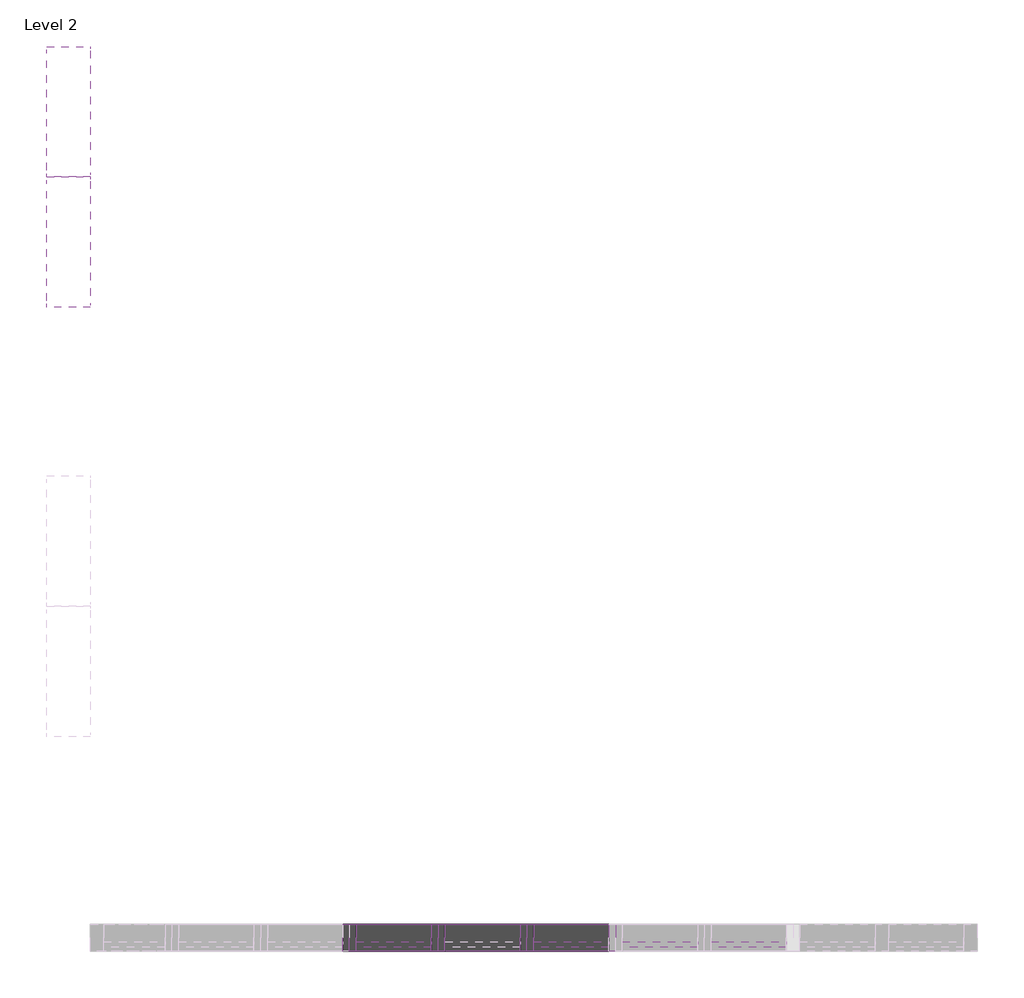
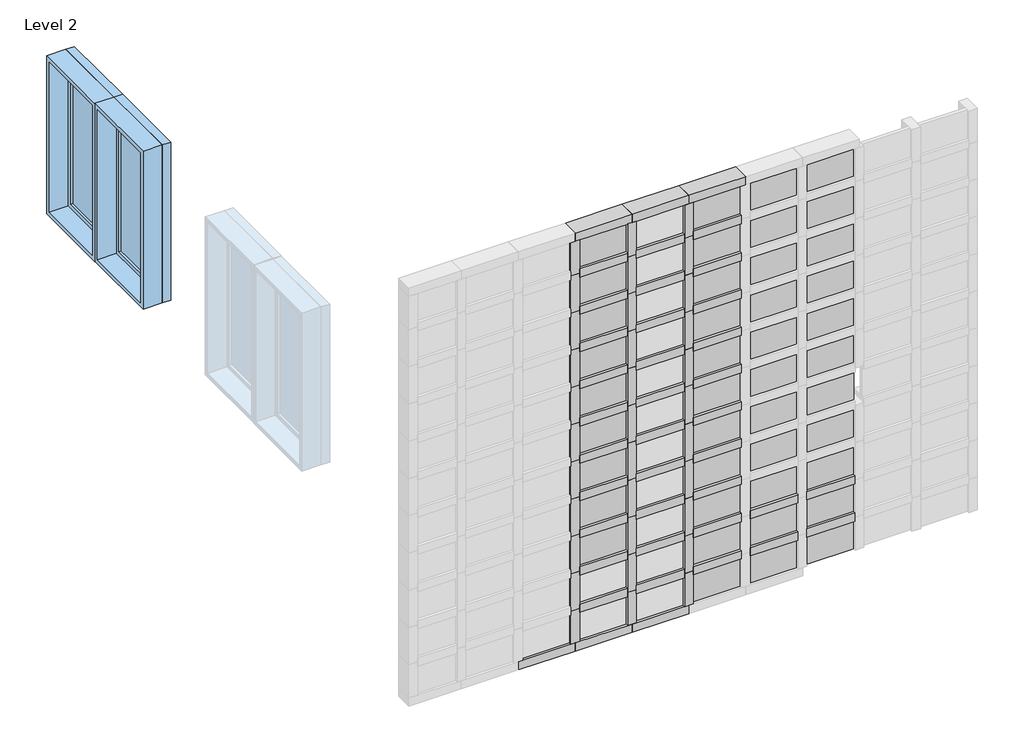
# One storey, part 2 of 7: 73 members, 42 plates, 2 windows.
"""IFC4 building model written with IfcOpenShell, lengths in millimetres."""

import ifcopenshell
import ifcopenshell.guid

model = None  # the IFC model being written
_history = None  # IfcOwnerHistory: only IFC2X3 demands one
_inside = {}  # id of a spatial element -> (the spatial element, [elements in it])
_under = {}  # id of a project, library or spatial element -> (it, [spatial elements below it])
_declared = {}  # id of a project -> (the project, [libraries it declares])
_typed = {}  # id of a type object -> (the type object, [elements of that type])
_made_of = {}  # id of a material, layer set ... -> (it, [elements and type objects made of it])


def new_model(schema):
    """Start an empty IFC model of exactly this schema.

    Asked for "IFC4X3", IfcOpenShell would pick the latest addendum, in which some entities
    have other attributes; the version numbers below select the first issue.
    IFC2X3 requires an IfcOwnerHistory on every rooted entity: one is made here for all.
    """
    global model, _history
    if schema == "IFC4X3":
        model = ifcopenshell.file(schema_version=(4, 3, 0, 0))
    else:
        model = ifcopenshell.file(schema=schema)
    _inside.clear()
    _under.clear()
    _declared.clear()
    _typed.clear()
    _made_of.clear()
    _history = None
    if model.schema == "IFC2X3":
        org = make("IfcOrganization", Name="unknown")
        user = make(
            "IfcPersonAndOrganization",
            ThePerson=make("IfcPerson", FamilyName="unknown"),
            TheOrganization=org,
        )
        app = make(
            "IfcApplication",
            ApplicationDeveloper=org,
            Version="unknown",
            ApplicationFullName="unknown",
            ApplicationIdentifier="unknown",
        )
        _history = make(
            "IfcOwnerHistory",
            OwningUser=user,
            OwningApplication=app,
            ChangeAction="ADDED",
            CreationDate=0,
        )
    return model


def make(cls, **values):
    """One entity of the class cls with the attributes given. An attribute that is None is left unset."""
    return model.create_entity(
        cls, **{name: value for name, value in values.items() if value is not None}
    )


def rooted(cls, **values):
    """An entity with a GlobalId (a new one), such as an element, a storey or a relation."""
    return make(cls, GlobalId=ifcopenshell.guid.new(), OwnerHistory=_history, **values)


def si_unit(unit_type, name, prefix=None):
    """IfcSIUnit, for example si_unit("LENGTHUNIT", "METRE", prefix="MILLI")."""
    return make("IfcSIUnit", UnitType=unit_type, Prefix=prefix, Name=name)


def assignment(units):
    """IfcUnitAssignment: the units of a project."""
    return None if units is None else make("IfcUnitAssignment", Units=units)


def point(xyz):
    """IfcCartesianPoint."""
    return None if xyz is None else make("IfcCartesianPoint", Coordinates=xyz)


def direction(xyz):
    """IfcDirection."""
    return None if xyz is None else make("IfcDirection", DirectionRatios=xyz)


def frame(location, z_axis=None, x_axis=None):
    """IfcAxis2Placement3D, a coordinate frame: its origin and axes. An axis left out is left unset."""
    return make(
        "IfcAxis2Placement3D",
        Location=point(location),
        Axis=direction(z_axis),
        RefDirection=direction(x_axis),
    )


def origin():
    """The frame at (0, 0, 0) with its axes left unset."""
    return frame((0.0, 0.0, 0.0))


def origin_with_axes():
    """The frame at (0, 0, 0) with the z axis (0, 0, 1) and the x axis (1, 0, 0) written out."""
    return frame((0.0, 0.0, 0.0), z_axis=(0.0, 0.0, 1.0), x_axis=(1.0, 0.0, 0.0))


def place(relative_to, where):
    """IfcLocalPlacement: puts the frame where relative to a parent placement (None: the world)."""
    return make(
        "IfcLocalPlacement", PlacementRelTo=relative_to, RelativePlacement=where
    )


def context(
    kind, dimensions, precision=None, world=None, true_north=None, identifier=None
):
    """IfcGeometricRepresentationContext, for example the 3D "Model" context."""
    return make(
        "IfcGeometricRepresentationContext",
        ContextIdentifier=identifier,
        ContextType=kind,
        CoordinateSpaceDimension=dimensions,
        Precision=precision,
        WorldCoordinateSystem=world,
        TrueNorth=true_north,
    )


def project(units=None, contexts=None):
    """IfcProject with its units and contexts."""
    return rooted(
        "IfcProject",
        Name="project",
        RepresentationContexts=contexts,
        UnitsInContext=assignment(units),
    )


def spatial(cls, under=None, at=None, **own):
    """A site, building, storey or space (cls), placed at a placement, below another one or the project."""
    s = rooted(cls, ObjectPlacement=at, **own)
    if under is not None:
        _under.setdefault(under.id(), (under, []))[1].append(s)
    return s


def polyline(points):
    """IfcPolyline through the points."""
    return make("IfcPolyline", Points=[point(p) for p in points])


def outline(outer, holes=None, kind="AREA"):
    """IfcArbitraryClosedProfileDef: a profile drawn as a closed curve; with holes, ...WithVoids."""
    if holes is None:
        return make("IfcArbitraryClosedProfileDef", ProfileType=kind, OuterCurve=outer)
    return make(
        "IfcArbitraryProfileDefWithVoids",
        ProfileType=kind,
        OuterCurve=outer,
        InnerCurves=holes,
    )


def extrude(swept, where, along, depth):
    """IfcExtrudedAreaSolid: the profile swept, set in the frame where, extruded along a direction by depth."""
    return make(
        "IfcExtrudedAreaSolid",
        SweptArea=swept,
        Position=where,
        ExtrudedDirection=direction(along),
        Depth=depth,
    )


def shape(context_of_items, identifier, shape_type, items):
    """IfcShapeRepresentation: the items that make up one representation, for example the "Body"."""
    return make(
        "IfcShapeRepresentation",
        ContextOfItems=context_of_items,
        RepresentationIdentifier=identifier,
        RepresentationType=shape_type,
        Items=items,
    )


def source(mapping_origin, context_of_items, identifier, shape_type, items):
    """IfcRepresentationMap: a shape defined once, which mapped items show again and again."""
    return make(
        "IfcRepresentationMap",
        MappingOrigin=mapping_origin,
        MappedRepresentation=shape(context_of_items, identifier, shape_type, items),
    )


def transform(
    local_origin,
    x_axis=None,
    y_axis=None,
    z_axis=None,
    scale=None,
    scale2=None,
    scale3=None,
    uniform=True,
):
    """IfcCartesianTransformationOperator3D, or its non-uniform kind. x_axis, y_axis, z_axis: its Axis1, 2, 3."""
    if uniform:
        return make(
            "IfcCartesianTransformationOperator3D",
            Axis1=direction(x_axis),
            Axis2=direction(y_axis),
            LocalOrigin=point(local_origin),
            Scale=scale,
            Axis3=direction(z_axis),
        )
    return make(
        "IfcCartesianTransformationOperator3DnonUniform",
        Axis1=direction(x_axis),
        Axis2=direction(y_axis),
        LocalOrigin=point(local_origin),
        Scale=scale,
        Axis3=direction(z_axis),
        Scale2=scale2,
        Scale3=scale3,
    )


def mapped(mapping_source, mapping_target):
    """IfcMappedItem: shows the shape of a source again, moved by a transform."""
    return make(
        "IfcMappedItem", MappingSource=mapping_source, MappingTarget=mapping_target
    )


def made_of(thing, what):
    """Note that an element or type object is made of a material, layer set ...; save() writes the relation."""
    if what is not None:
        _made_of.setdefault(what.id(), (what, []))[1].append(thing)
    return thing


def element(
    cls,
    number,
    at=None,
    inside=None,
    cuts=None,
    type_object=None,
    material=None,
    context=None,
    identifier="Body",
    shape_type=None,
    held_by="IfcProductDefinitionShape",
    body=None,
    shapes=None,
    **own,
):
    """One element of the class cls, such as IfcWall. Its Tag is "e" and its number.

    at: its placement. inside: the storey or other place that contains it. cuts: it is an
    opening in that element (IfcRelVoidsElement). A single representation is given by context,
    identifier, shape_type and body (its items); several are given by shapes. held_by: the class
    of the entity that holds the representations. save() writes the other relations.
    """
    e = rooted(cls, Tag="e%d" % number, ObjectPlacement=at, **own)
    if body is not None:
        shapes = [shape(context, identifier, shape_type, body)]
    if shapes is not None:
        e.Representation = make(held_by, Representations=shapes)
    if inside is not None:
        _inside.setdefault(inside.id(), (inside, []))[1].append(e)
    if cuts is not None:
        rooted(
            "IfcRelVoidsElement", RelatingBuildingElement=cuts, RelatedOpeningElement=e
        )
    if type_object is not None:
        _typed.setdefault(type_object.id(), (type_object, []))[1].append(e)
    return made_of(e, material)


def aggregate(whole, parts):
    """IfcRelAggregates: a whole, such as a stair, and the parts it consists of."""
    return rooted("IfcRelAggregates", RelatingObject=whole, RelatedObjects=parts)


def save(model, path):
    """Write the relations noted so far, then the file.

    IfcRelAggregates (storeys below a building ...), IfcRelContainedInSpatialStructure (elements
    in a storey), IfcRelDefinesByType, IfcRelAssociatesMaterial and IfcRelDeclares: one each for
    every whole, place, type object, material and project.
    """
    for whole, parts in _under.values():
        aggregate(whole, parts)
    for where, things in _inside.values():
        rooted(
            "IfcRelContainedInSpatialStructure",
            RelatedElements=things,
            RelatingStructure=where,
        )
    for kind, things in _typed.values():
        rooted("IfcRelDefinesByType", RelatedObjects=things, RelatingType=kind)
    for what, things in _made_of.values():
        rooted("IfcRelAssociatesMaterial", RelatedObjects=things, RelatingMaterial=what)
    for by, libraries in _declared.values():
        rooted("IfcRelDeclares", RelatingContext=by, RelatedDefinitions=libraries)
    model.write(path)


def member_053a1080(model_context):
    return source(origin(), model_context, "Body", "SweptSolid", [
        extrude(outline(polyline([(31.75, 63.5), (31.75, -63.5), (-31.75, -63.5), (-31.75, 63.5), (31.75, 63.5)])), frame((0.0, 0.0, -351.3666667), z_axis=(0.0, 0.0, 1.0), x_axis=(1.0, 0.0, 0.0)), (0.0, 0.0, 1.0), 351.3666667),
    ])


def member_cc20b924(model_context):
    return source(origin(), model_context, "Body", "SweptSolid", [
        extrude(outline(polyline([(0.0, 63.5), (0.0, -63.5), (-63.5, -63.5), (-63.5, 63.5), (0.0, 63.5)])), frame((0.0, 0.0, -414.8666667), z_axis=(0.0, 0.0, 1.0), x_axis=(1.0, 0.0, 0.0)), (0.0, 0.0, 1.0), 414.8666667),
    ])


def member_fa3b035b(model_context):
    return source(origin(), model_context, "Body", "SweptSolid", [
        extrude(outline(polyline([(31.75, 63.5), (31.75, -63.5), (-31.75, -63.5), (-31.75, 63.5), (31.75, 63.5)])), frame((0.0, 0.0, -287.4301113), z_axis=(0.0, 0.0, 1.0), x_axis=(1.0, 0.0, 0.0)), (0.0, 0.0, 1.0), 287.4301113),
    ])


def member_d2e9ee92(model_context):
    return source(origin(), model_context, "Body", "SweptSolid", [
        extrude(outline(polyline([(31.75, 63.5), (31.75, -63.5), (-31.75, -63.5), (-31.75, 63.5), (31.75, 63.5)])), frame((0.0, 0.0, -255.6801113), z_axis=(0.0, 0.0, 1.0), x_axis=(1.0, 0.0, 0.0)), (0.0, 0.0, 1.0), 255.6801113),
    ])


def system_panel_glazed_a957bdd6(model_context):
    return source(origin(), model_context, "Body", "SweptSolid", [
        extrude(outline(polyline([(175.6833333, 19.05), (-175.6833333, 19.05), (-175.6833333, 44.45), (175.6833333, 44.45), (175.6833333, 19.05)])), origin_with_axes(), (0.0, 0.0, 1.0), 223.9301113),
    ])


def window_80bd9af0(model_context):
    return source(origin(), model_context, "Body", "SweptSolid", [
        extrude(outline(polyline([(203.2, 53.975), (-279.4, 53.975), (-279.4, 66.675), (203.2, 66.675), (203.2, 53.975)])), frame((0.0, 0.0, 977.9), z_axis=(0.0, 0.0, 1.0), x_axis=(1.0, 0.0, 0.0)), (0.0, 0.0, 1.0), 1092.2),
        extrude(outline(polyline([(2114.55, -323.85), (933.45, -323.85), (933.45, 247.65), (2114.55, 247.65), (2114.55, -323.85)]), holes=[polyline([(2070.1, -279.4), (2070.1, 203.2), (977.9, 203.2), (977.9, -279.4), (2070.1, -279.4)])]), frame((0.0, 38.1, 0.0), z_axis=(0.0, 1.0, 0.0), x_axis=(0.0, 0.0, 1.0)), (0.0, 0.0, 1.0), 44.45),
        extrude(outline(polyline([(2133.6, -342.9), (914.4, -342.9), (914.4, 266.7), (2133.6, 266.7), (2133.6, -342.9)]), holes=[polyline([(2101.85, -311.15), (2101.85, 234.95), (946.15, 234.95), (946.15, -311.15), (2101.85, -311.15)])]), frame((0.0, -101.6, 0.0), z_axis=(0.0, 1.0, 0.0), x_axis=(0.0, 0.0, 1.0)), (0.0, 0.0, 1.0), 139.7),
        extrude(outline(polyline([(2133.6, 266.7), (2133.6, -342.9), (914.4, -342.9), (914.4, 266.7), (2133.6, 266.7)]), holes=[polyline([(2114.55, 247.65), (933.45, 247.65), (933.45, -323.85), (2114.55, -323.85), (2114.55, 247.65)])]), frame((0.0, 38.1, 0.0), z_axis=(0.0, 1.0, 0.0), x_axis=(0.0, 0.0, 1.0)), (0.0, 0.0, 1.0), 63.5),
    ])


model = new_model("IFC4")

# Units and contexts
model_context = context("Model", 3, world=origin())
ifc_project = project(units=[si_unit("LENGTHUNIT", "METRE", prefix="MILLI")], contexts=[model_context])

# Site, building, storey
site = spatial("IfcSite", under=ifc_project)
building = spatial("IfcBuilding", under=site)
storey = spatial("IfcBuildingStorey", under=building, Name="Level 2", Elevation=3048.0)

# Members
placement = place(None, origin())
member_shape = member_053a1080(model_context)
element("IfcMember", 1, ObjectType="Rectangular Mullion : 2.5\" x 5\" rectangular", at=placement, inside=storey, context=model_context, shape_type="MappedRepresentation", body=[
    mapped(member_shape, transform((-4891.2749742, 4076.9545164, 3367.1801113), x_axis=(0.0, 0.0, 1.0), y_axis=(0.0, 1.0, 0.0), z_axis=(-1.0, 0.0, 0.0))),
])
element("IfcMember", 2, ObjectType="Rectangular Mullion : 2.5\" x 5\" rectangular", at=placement, inside=storey, context=model_context, shape_type="MappedRepresentation", body=[
    mapped(member_shape, transform((-4476.4083075, 4076.9545164, 3367.1801113), x_axis=(0.0, 0.0, 1.0), y_axis=(0.0, 1.0, 0.0), z_axis=(-1.0, 0.0, 0.0))),
])
element("IfcMember", 3, ObjectType="Rectangular Mullion : 2.5\" x 5\" rectangular", at=placement, inside=storey, context=model_context, shape_type="MappedRepresentation", body=[
    mapped(member_shape, transform((-4061.5416409, 4076.9545164, 3367.1801113), x_axis=(0.0, 0.0, 1.0), y_axis=(0.0, 1.0, 0.0), z_axis=(-1.0, 0.0, 0.0))),
])
element("IfcMember", 4, ObjectType="Rectangular Mullion : 2.5\" x 5\" rectangular", at=placement, inside=storey, context=model_context, shape_type="MappedRepresentation", body=[
    mapped(member_shape, transform((-3646.6749742, 4076.9545164, 3367.1801113), x_axis=(0.0, 0.0, 1.0), y_axis=(0.0, 1.0, 0.0), z_axis=(-1.0, 0.0, 0.0))),
])
element("IfcMember", 5, ObjectType="Rectangular Mullion : 2.5\" x 5\" rectangular", at=placement, inside=storey, context=model_context, shape_type="MappedRepresentation", body=[
    mapped(member_shape, transform((-3231.8083075, 4076.9545164, 3367.1801113), x_axis=(0.0, 0.0, 1.0), y_axis=(0.0, 1.0, 0.0), z_axis=(-1.0, 0.0, 0.0))),
])
element("IfcMember", 6, ObjectType="Rectangular Mullion : 2.5\" x 5\" rectangular", at=placement, inside=storey, context=model_context, shape_type="MappedRepresentation", body=[
    mapped(member_shape, transform((-4891.2749742, 4076.9545164, 3654.6102225), x_axis=(0.0, 0.0, 1.0), y_axis=(0.0, 1.0, 0.0), z_axis=(-1.0, 0.0, 0.0))),
])
element("IfcMember", 7, ObjectType="Rectangular Mullion : 2.5\" x 5\" rectangular", at=placement, inside=storey, context=model_context, shape_type="MappedRepresentation", body=[
    mapped(member_shape, transform((-4476.4083075, 4076.9545164, 3654.6102225), x_axis=(0.0, 0.0, 1.0), y_axis=(0.0, 1.0, 0.0), z_axis=(-1.0, 0.0, 0.0))),
])
element("IfcMember", 8, ObjectType="Rectangular Mullion : 2.5\" x 5\" rectangular", at=placement, inside=storey, context=model_context, shape_type="MappedRepresentation", body=[
    mapped(member_shape, transform((-4061.5416409, 4076.9545164, 3654.6102225), x_axis=(0.0, 0.0, 1.0), y_axis=(0.0, 1.0, 0.0), z_axis=(-1.0, 0.0, 0.0))),
])
element("IfcMember", 9, ObjectType="Rectangular Mullion : 2.5\" x 5\" rectangular", at=placement, inside=storey, context=model_context, shape_type="MappedRepresentation", body=[
    mapped(member_shape, transform((-3646.6749742, 4076.9545164, 3654.6102225), x_axis=(0.0, 0.0, 1.0), y_axis=(0.0, 1.0, 0.0), z_axis=(-1.0, 0.0, 0.0))),
])
element("IfcMember", 10, ObjectType="Rectangular Mullion : 2.5\" x 5\" rectangular", at=placement, inside=storey, context=model_context, shape_type="MappedRepresentation", body=[
    mapped(member_shape, transform((-3231.8083075, 4076.9545164, 3654.6102225), x_axis=(0.0, 0.0, 1.0), y_axis=(0.0, 1.0, 0.0), z_axis=(-1.0, 0.0, 0.0))),
])
element("IfcMember", 11, ObjectType="Rectangular Mullion : 2.5\" x 5\" rectangular", at=placement, inside=storey, context=model_context, shape_type="MappedRepresentation", body=[
    mapped(member_shape, transform((-4891.2749742, 4076.9545164, 3942.0403338), x_axis=(0.0, 0.0, 1.0), y_axis=(0.0, 1.0, 0.0), z_axis=(-1.0, 0.0, 0.0))),
])
element("IfcMember", 12, ObjectType="Rectangular Mullion : 2.5\" x 5\" rectangular", at=placement, inside=storey, context=model_context, shape_type="MappedRepresentation", body=[
    mapped(member_shape, transform((-4476.4083075, 4076.9545164, 3942.0403338), x_axis=(0.0, 0.0, 1.0), y_axis=(0.0, 1.0, 0.0), z_axis=(-1.0, 0.0, 0.0))),
])
element("IfcMember", 13, ObjectType="Rectangular Mullion : 2.5\" x 5\" rectangular", at=placement, inside=storey, context=model_context, shape_type="MappedRepresentation", body=[
    mapped(member_shape, transform((-4061.5416409, 4076.9545164, 3942.0403338), x_axis=(0.0, 0.0, 1.0), y_axis=(0.0, 1.0, 0.0), z_axis=(-1.0, 0.0, 0.0))),
])
element("IfcMember", 14, ObjectType="Rectangular Mullion : 2.5\" x 5\" rectangular", at=placement, inside=storey, context=model_context, shape_type="MappedRepresentation", body=[
    mapped(member_shape, transform((-4891.2749742, 4076.9545164, 4229.4704451), x_axis=(0.0, 0.0, 1.0), y_axis=(0.0, 1.0, 0.0), z_axis=(-1.0, 0.0, 0.0))),
])
element("IfcMember", 15, ObjectType="Rectangular Mullion : 2.5\" x 5\" rectangular", at=placement, inside=storey, context=model_context, shape_type="MappedRepresentation", body=[
    mapped(member_shape, transform((-4476.4083075, 4076.9545164, 4229.4704451), x_axis=(0.0, 0.0, 1.0), y_axis=(0.0, 1.0, 0.0), z_axis=(-1.0, 0.0, 0.0))),
])
element("IfcMember", 16, ObjectType="Rectangular Mullion : 2.5\" x 5\" rectangular", at=placement, inside=storey, context=model_context, shape_type="MappedRepresentation", body=[
    mapped(member_shape, transform((-4061.5416409, 4076.9545164, 4229.4704451), x_axis=(0.0, 0.0, 1.0), y_axis=(0.0, 1.0, 0.0), z_axis=(-1.0, 0.0, 0.0))),
])
element("IfcMember", 17, ObjectType="Rectangular Mullion : 2.5\" x 5\" rectangular", at=placement, inside=storey, context=model_context, shape_type="MappedRepresentation", body=[
    mapped(member_shape, transform((-4891.2749742, 4076.9545164, 4516.9005563), x_axis=(0.0, 0.0, 1.0), y_axis=(0.0, 1.0, 0.0), z_axis=(-1.0, 0.0, 0.0))),
])
element("IfcMember", 18, ObjectType="Rectangular Mullion : 2.5\" x 5\" rectangular", at=placement, inside=storey, context=model_context, shape_type="MappedRepresentation", body=[
    mapped(member_shape, transform((-4476.4083075, 4076.9545164, 4516.9005563), x_axis=(0.0, 0.0, 1.0), y_axis=(0.0, 1.0, 0.0), z_axis=(-1.0, 0.0, 0.0))),
])
element("IfcMember", 19, ObjectType="Rectangular Mullion : 2.5\" x 5\" rectangular", at=placement, inside=storey, context=model_context, shape_type="MappedRepresentation", body=[
    mapped(member_shape, transform((-4061.5416409, 4076.9545164, 4516.9005563), x_axis=(0.0, 0.0, 1.0), y_axis=(0.0, 1.0, 0.0), z_axis=(-1.0, 0.0, 0.0))),
])
element("IfcMember", 20, ObjectType="Rectangular Mullion : 2.5\" x 5\" rectangular", at=placement, inside=storey, context=model_context, shape_type="MappedRepresentation", body=[
    mapped(member_shape, transform((-4891.2749742, 4076.9545164, 4804.3306676), x_axis=(0.0, 0.0, 1.0), y_axis=(0.0, 1.0, 0.0), z_axis=(-1.0, 0.0, 0.0))),
])
element("IfcMember", 21, ObjectType="Rectangular Mullion : 2.5\" x 5\" rectangular", at=placement, inside=storey, context=model_context, shape_type="MappedRepresentation", body=[
    mapped(member_shape, transform((-4476.4083075, 4076.9545164, 4804.3306676), x_axis=(0.0, 0.0, 1.0), y_axis=(0.0, 1.0, 0.0), z_axis=(-1.0, 0.0, 0.0))),
])
element("IfcMember", 22, ObjectType="Rectangular Mullion : 2.5\" x 5\" rectangular", at=placement, inside=storey, context=model_context, shape_type="MappedRepresentation", body=[
    mapped(member_shape, transform((-4061.5416409, 4076.9545164, 4804.3306676), x_axis=(0.0, 0.0, 1.0), y_axis=(0.0, 1.0, 0.0), z_axis=(-1.0, 0.0, 0.0))),
])
element("IfcMember", 23, ObjectType="Rectangular Mullion : 2.5\" x 5\" rectangular", at=placement, inside=storey, context=model_context, shape_type="MappedRepresentation", body=[
    mapped(member_shape, transform((-4891.2749742, 4076.9545164, 5091.7607789), x_axis=(0.0, 0.0, 1.0), y_axis=(0.0, 1.0, 0.0), z_axis=(-1.0, 0.0, 0.0))),
])
element("IfcMember", 24, ObjectType="Rectangular Mullion : 2.5\" x 5\" rectangular", at=placement, inside=storey, context=model_context, shape_type="MappedRepresentation", body=[
    mapped(member_shape, transform((-4476.4083075, 4076.9545164, 5091.7607789), x_axis=(0.0, 0.0, 1.0), y_axis=(0.0, 1.0, 0.0), z_axis=(-1.0, 0.0, 0.0))),
])
element("IfcMember", 25, ObjectType="Rectangular Mullion : 2.5\" x 5\" rectangular", at=placement, inside=storey, context=model_context, shape_type="MappedRepresentation", body=[
    mapped(member_shape, transform((-4061.5416409, 4076.9545164, 5091.7607789), x_axis=(0.0, 0.0, 1.0), y_axis=(0.0, 1.0, 0.0), z_axis=(-1.0, 0.0, 0.0))),
])
element("IfcMember", 26, ObjectType="Rectangular Mullion : 2.5\" x 5\" rectangular", at=placement, inside=storey, context=model_context, shape_type="MappedRepresentation", body=[
    mapped(member_shape, transform((-4061.5416409, 4076.9545164, 5379.1908901), x_axis=(0.0, 0.0, 1.0), y_axis=(0.0, 1.0, 0.0), z_axis=(-1.0, 0.0, 0.0))),
])
element("IfcMember", 27, ObjectType="Rectangular Mullion : 2.5\" x 5\" rectangular", at=placement, inside=storey, context=model_context, shape_type="MappedRepresentation", body=[
    mapped(member_shape, transform((-4891.2749742, 4076.9545164, 5379.1908901), x_axis=(0.0, 0.0, 1.0), y_axis=(0.0, 1.0, 0.0), z_axis=(-1.0, 0.0, 0.0))),
])
element("IfcMember", 28, ObjectType="Rectangular Mullion : 2.5\" x 5\" rectangular", at=placement, inside=storey, context=model_context, shape_type="MappedRepresentation", body=[
    mapped(member_shape, transform((-4476.4083075, 4076.9545164, 5379.1908901), x_axis=(0.0, 0.0, 1.0), y_axis=(0.0, 1.0, 0.0), z_axis=(-1.0, 0.0, 0.0))),
])
element("IfcMember", 29, ObjectType="Rectangular Mullion : 2.5\" x 5\" rectangular", at=placement, inside=storey, context=model_context, shape_type="MappedRepresentation", body=[
    mapped(member_shape, transform((-4891.2749742, 4076.9545164, 5666.6210014), x_axis=(0.0, 0.0, 1.0), y_axis=(0.0, 1.0, 0.0), z_axis=(-1.0, 0.0, 0.0))),
])
element("IfcMember", 30, ObjectType="Rectangular Mullion : 2.5\" x 5\" rectangular", at=placement, inside=storey, context=model_context, shape_type="MappedRepresentation", body=[
    mapped(member_shape, transform((-4476.4083075, 4076.9545164, 5666.6210014), x_axis=(0.0, 0.0, 1.0), y_axis=(0.0, 1.0, 0.0), z_axis=(-1.0, 0.0, 0.0))),
])
element("IfcMember", 31, ObjectType="Rectangular Mullion : 2.5\" x 5\" rectangular", at=placement, inside=storey, context=model_context, shape_type="MappedRepresentation", body=[
    mapped(member_shape, transform((-4061.5416409, 4076.9545164, 5666.6210014), x_axis=(0.0, 0.0, 1.0), y_axis=(0.0, 1.0, 0.0), z_axis=(-1.0, 0.0, 0.0))),
])
element("IfcMember", 32, ObjectType="Rectangular Mullion : 2.5\" x 5\" rectangular", at=placement, inside=storey, context=model_context, shape_type="MappedRepresentation", body=[
    mapped(member_shape, transform((-4476.4083075, 4076.9545164, 5954.0511127), x_axis=(0.0, 0.0, 1.0), y_axis=(0.0, 1.0, 0.0), z_axis=(-1.0, 0.0, 0.0))),
])
element("IfcMember", 33, ObjectType="Rectangular Mullion : 2.5\" x 5\" rectangular", at=placement, inside=storey, context=model_context, shape_type="MappedRepresentation", body=[
    mapped(member_shape, transform((-4891.2749742, 4076.9545164, 5954.0511127), x_axis=(0.0, 0.0, 1.0), y_axis=(0.0, 1.0, 0.0), z_axis=(-1.0, 0.0, 0.0))),
])
element("IfcMember", 34, ObjectType="Rectangular Mullion : 2.5\" x 5\" rectangular", at=placement, inside=storey, context=model_context, shape_type="MappedRepresentation", body=[
    mapped(member_shape, transform((-4061.5416409, 4076.9545164, 5954.0511127), x_axis=(0.0, 0.0, 1.0), y_axis=(0.0, 1.0, 0.0), z_axis=(-1.0, 0.0, 0.0))),
])
member_2_shape = member_cc20b924(model_context)
element("IfcMember", 35, ObjectType="Rectangular Mullion : 2.5\" x 5\" rectangular", at=placement, inside=storey, context=model_context, shape_type="MappedRepresentation", body=[
    mapped(member_2_shape, transform((-4923.0249742, 4076.9545164, 3048.0), x_axis=(0.0, 0.0, -1.0), y_axis=(0.0, 1.0, 0.0), z_axis=(1.0, 0.0, 0.0))),
])
element("IfcMember", 36, ObjectType="Rectangular Mullion : 2.5\" x 5\" rectangular", at=placement, inside=storey, context=model_context, shape_type="MappedRepresentation", body=[
    mapped(member_2_shape, transform((-4508.1583075, 4076.9545164, 3048.0), x_axis=(0.0, 0.0, -1.0), y_axis=(0.0, 1.0, 0.0), z_axis=(1.0, 0.0, 0.0))),
])
element("IfcMember", 37, ObjectType="Rectangular Mullion : 2.5\" x 5\" rectangular", at=placement, inside=storey, context=model_context, shape_type="MappedRepresentation", body=[
    mapped(member_2_shape, transform((-4093.2916409, 4076.9545164, 3048.0), x_axis=(0.0, 0.0, -1.0), y_axis=(0.0, 1.0, 0.0), z_axis=(1.0, 0.0, 0.0))),
])
member_3_shape = member_fa3b035b(model_context)
element("IfcMember", 38, ObjectType="Rectangular Mullion : 2.5\" x 5\" rectangular", at=placement, inside=storey, context=model_context, shape_type="MappedRepresentation", body=[
    mapped(member_3_shape, transform((-4093.2916409, 4076.9545164, 5666.6210014), x_axis=(-1.0, 0.0, 0.0), y_axis=(0.0, 1.0, 0.0), z_axis=(0.0, 0.0, -1.0))),
])
element("IfcMember", 39, ObjectType="Rectangular Mullion : 2.5\" x 5\" rectangular", at=placement, inside=storey, context=model_context, shape_type="MappedRepresentation", body=[
    mapped(member_3_shape, transform((-4093.2916409, 4076.9545164, 5379.1908901), x_axis=(-1.0, 0.0, 0.0), y_axis=(0.0, 1.0, 0.0), z_axis=(0.0, 0.0, -1.0))),
])
element("IfcMember", 40, ObjectType="Rectangular Mullion : 2.5\" x 5\" rectangular", at=placement, inside=storey, context=model_context, shape_type="MappedRepresentation", body=[
    mapped(member_3_shape, transform((-4093.2916409, 4076.9545164, 5091.7607789), x_axis=(-1.0, 0.0, 0.0), y_axis=(0.0, 1.0, 0.0), z_axis=(0.0, 0.0, -1.0))),
])
element("IfcMember", 41, ObjectType="Rectangular Mullion : 2.5\" x 5\" rectangular", at=placement, inside=storey, context=model_context, shape_type="MappedRepresentation", body=[
    mapped(member_3_shape, transform((-4093.2916409, 4076.9545164, 4804.3306676), x_axis=(-1.0, 0.0, 0.0), y_axis=(0.0, 1.0, 0.0), z_axis=(0.0, 0.0, -1.0))),
])
element("IfcMember", 42, ObjectType="Rectangular Mullion : 2.5\" x 5\" rectangular", at=placement, inside=storey, context=model_context, shape_type="MappedRepresentation", body=[
    mapped(member_3_shape, transform((-4093.2916409, 4076.9545164, 4516.9005563), x_axis=(-1.0, 0.0, 0.0), y_axis=(0.0, 1.0, 0.0), z_axis=(0.0, 0.0, -1.0))),
])
element("IfcMember", 43, ObjectType="Rectangular Mullion : 2.5\" x 5\" rectangular", at=placement, inside=storey, context=model_context, shape_type="MappedRepresentation", body=[
    mapped(member_3_shape, transform((-4093.2916409, 4076.9545164, 4229.4704451), x_axis=(-1.0, 0.0, 0.0), y_axis=(0.0, 1.0, 0.0), z_axis=(0.0, 0.0, -1.0))),
])
element("IfcMember", 44, ObjectType="Rectangular Mullion : 2.5\" x 5\" rectangular", at=placement, inside=storey, context=model_context, shape_type="MappedRepresentation", body=[
    mapped(member_3_shape, transform((-4093.2916409, 4076.9545164, 3942.0403338), x_axis=(-1.0, 0.0, 0.0), y_axis=(0.0, 1.0, 0.0), z_axis=(0.0, 0.0, -1.0))),
])
element("IfcMember", 45, ObjectType="Rectangular Mullion : 2.5\" x 5\" rectangular", at=placement, inside=storey, context=model_context, shape_type="MappedRepresentation", body=[
    mapped(member_3_shape, transform((-4093.2916409, 4076.9545164, 3654.6102225), x_axis=(-1.0, 0.0, 0.0), y_axis=(0.0, 1.0, 0.0), z_axis=(0.0, 0.0, -1.0))),
])
element("IfcMember", 46, ObjectType="Rectangular Mullion : 2.5\" x 5\" rectangular", at=placement, inside=storey, context=model_context, shape_type="MappedRepresentation", body=[
    mapped(member_3_shape, transform((-4093.2916409, 4076.9545164, 3367.1801113), x_axis=(-1.0, 0.0, 0.0), y_axis=(0.0, 1.0, 0.0), z_axis=(0.0, 0.0, -1.0))),
])
element("IfcMember", 47, ObjectType="Rectangular Mullion : 2.5\" x 5\" rectangular", at=placement, inside=storey, context=model_context, shape_type="MappedRepresentation", body=[
    mapped(member_3_shape, transform((-4508.1583075, 4076.9545164, 3942.0403338), x_axis=(-1.0, 0.0, 0.0), y_axis=(0.0, 1.0, 0.0), z_axis=(0.0, 0.0, -1.0))),
])
element("IfcMember", 48, ObjectType="Rectangular Mullion : 2.5\" x 5\" rectangular", at=placement, inside=storey, context=model_context, shape_type="MappedRepresentation", body=[
    mapped(member_3_shape, transform((-4508.1583075, 4076.9545164, 3654.6102225), x_axis=(-1.0, 0.0, 0.0), y_axis=(0.0, 1.0, 0.0), z_axis=(0.0, 0.0, -1.0))),
])
element("IfcMember", 49, ObjectType="Rectangular Mullion : 2.5\" x 5\" rectangular", at=placement, inside=storey, context=model_context, shape_type="MappedRepresentation", body=[
    mapped(member_3_shape, transform((-4508.1583075, 4076.9545164, 3367.1801113), x_axis=(-1.0, 0.0, 0.0), y_axis=(0.0, 1.0, 0.0), z_axis=(0.0, 0.0, -1.0))),
])
element("IfcMember", 50, ObjectType="Rectangular Mullion : 2.5\" x 5\" rectangular", at=placement, inside=storey, context=model_context, shape_type="MappedRepresentation", body=[
    mapped(member_3_shape, transform((-4508.1583075, 4076.9545164, 5666.6210014), x_axis=(-1.0, 0.0, 0.0), y_axis=(0.0, 1.0, 0.0), z_axis=(0.0, 0.0, -1.0))),
])
element("IfcMember", 51, ObjectType="Rectangular Mullion : 2.5\" x 5\" rectangular", at=placement, inside=storey, context=model_context, shape_type="MappedRepresentation", body=[
    mapped(member_3_shape, transform((-4508.1583075, 4076.9545164, 5379.1908901), x_axis=(-1.0, 0.0, 0.0), y_axis=(0.0, 1.0, 0.0), z_axis=(0.0, 0.0, -1.0))),
])
element("IfcMember", 52, ObjectType="Rectangular Mullion : 2.5\" x 5\" rectangular", at=placement, inside=storey, context=model_context, shape_type="MappedRepresentation", body=[
    mapped(member_3_shape, transform((-4508.1583075, 4076.9545164, 5091.7607789), x_axis=(-1.0, 0.0, 0.0), y_axis=(0.0, 1.0, 0.0), z_axis=(0.0, 0.0, -1.0))),
])
element("IfcMember", 53, ObjectType="Rectangular Mullion : 2.5\" x 5\" rectangular", at=placement, inside=storey, context=model_context, shape_type="MappedRepresentation", body=[
    mapped(member_3_shape, transform((-4508.1583075, 4076.9545164, 4804.3306676), x_axis=(-1.0, 0.0, 0.0), y_axis=(0.0, 1.0, 0.0), z_axis=(0.0, 0.0, -1.0))),
])
element("IfcMember", 54, ObjectType="Rectangular Mullion : 2.5\" x 5\" rectangular", at=placement, inside=storey, context=model_context, shape_type="MappedRepresentation", body=[
    mapped(member_3_shape, transform((-4508.1583075, 4076.9545164, 4516.9005563), x_axis=(-1.0, 0.0, 0.0), y_axis=(0.0, 1.0, 0.0), z_axis=(0.0, 0.0, -1.0))),
])
element("IfcMember", 55, ObjectType="Rectangular Mullion : 2.5\" x 5\" rectangular", at=placement, inside=storey, context=model_context, shape_type="MappedRepresentation", body=[
    mapped(member_3_shape, transform((-4508.1583075, 4076.9545164, 4229.4704451), x_axis=(-1.0, 0.0, 0.0), y_axis=(0.0, 1.0, 0.0), z_axis=(0.0, 0.0, -1.0))),
])
element("IfcMember", 56, ObjectType="Rectangular Mullion : 2.5\" x 5\" rectangular", at=placement, inside=storey, context=model_context, shape_type="MappedRepresentation", body=[
    mapped(member_3_shape, transform((-4923.0249742, 4076.9545164, 5666.6210014), x_axis=(-1.0, 0.0, 0.0), y_axis=(0.0, 1.0, 0.0), z_axis=(0.0, 0.0, -1.0))),
])
element("IfcMember", 57, ObjectType="Rectangular Mullion : 2.5\" x 5\" rectangular", at=placement, inside=storey, context=model_context, shape_type="MappedRepresentation", body=[
    mapped(member_3_shape, transform((-4923.0249742, 4076.9545164, 5379.1908901), x_axis=(-1.0, 0.0, 0.0), y_axis=(0.0, 1.0, 0.0), z_axis=(0.0, 0.0, -1.0))),
])
element("IfcMember", 58, ObjectType="Rectangular Mullion : 2.5\" x 5\" rectangular", at=placement, inside=storey, context=model_context, shape_type="MappedRepresentation", body=[
    mapped(member_3_shape, transform((-4923.0249742, 4076.9545164, 5091.7607789), x_axis=(-1.0, 0.0, 0.0), y_axis=(0.0, 1.0, 0.0), z_axis=(0.0, 0.0, -1.0))),
])
element("IfcMember", 59, ObjectType="Rectangular Mullion : 2.5\" x 5\" rectangular", at=placement, inside=storey, context=model_context, shape_type="MappedRepresentation", body=[
    mapped(member_3_shape, transform((-4923.0249742, 4076.9545164, 4804.3306676), x_axis=(-1.0, 0.0, 0.0), y_axis=(0.0, 1.0, 0.0), z_axis=(0.0, 0.0, -1.0))),
])
element("IfcMember", 60, ObjectType="Rectangular Mullion : 2.5\" x 5\" rectangular", at=placement, inside=storey, context=model_context, shape_type="MappedRepresentation", body=[
    mapped(member_3_shape, transform((-4923.0249742, 4076.9545164, 4516.9005563), x_axis=(-1.0, 0.0, 0.0), y_axis=(0.0, 1.0, 0.0), z_axis=(0.0, 0.0, -1.0))),
])
element("IfcMember", 61, ObjectType="Rectangular Mullion : 2.5\" x 5\" rectangular", at=placement, inside=storey, context=model_context, shape_type="MappedRepresentation", body=[
    mapped(member_3_shape, transform((-4923.0249742, 4076.9545164, 4229.4704451), x_axis=(-1.0, 0.0, 0.0), y_axis=(0.0, 1.0, 0.0), z_axis=(0.0, 0.0, -1.0))),
])
element("IfcMember", 62, ObjectType="Rectangular Mullion : 2.5\" x 5\" rectangular", at=placement, inside=storey, context=model_context, shape_type="MappedRepresentation", body=[
    mapped(member_3_shape, transform((-4923.0249742, 4076.9545164, 3942.0403338), x_axis=(-1.0, 0.0, 0.0), y_axis=(0.0, 1.0, 0.0), z_axis=(0.0, 0.0, -1.0))),
])
element("IfcMember", 63, ObjectType="Rectangular Mullion : 2.5\" x 5\" rectangular", at=placement, inside=storey, context=model_context, shape_type="MappedRepresentation", body=[
    mapped(member_3_shape, transform((-4923.0249742, 4076.9545164, 3654.6102225), x_axis=(-1.0, 0.0, 0.0), y_axis=(0.0, 1.0, 0.0), z_axis=(0.0, 0.0, -1.0))),
])
element("IfcMember", 64, ObjectType="Rectangular Mullion : 2.5\" x 5\" rectangular", at=placement, inside=storey, context=model_context, shape_type="MappedRepresentation", body=[
    mapped(member_3_shape, transform((-4923.0249742, 4076.9545164, 3367.1801113), x_axis=(-1.0, 0.0, 0.0), y_axis=(0.0, 1.0, 0.0), z_axis=(0.0, 0.0, -1.0))),
])
member_4_shape = member_d2e9ee92(model_context)
element("IfcMember", 65, ObjectType="Rectangular Mullion : 2.5\" x 5\" rectangular", at=placement, inside=storey, context=model_context, shape_type="MappedRepresentation", body=[
    mapped(member_4_shape, transform((-4093.2916409, 4076.9545164, 5954.0511127), x_axis=(-1.0, 0.0, 0.0), y_axis=(0.0, 1.0, 0.0), z_axis=(0.0, 0.0, -1.0))),
])
element("IfcMember", 66, ObjectType="Rectangular Mullion : 2.5\" x 5\" rectangular", at=placement, inside=storey, context=model_context, shape_type="MappedRepresentation", body=[
    mapped(member_4_shape, transform((-4508.1583075, 4076.9545164, 5954.0511127), x_axis=(-1.0, 0.0, 0.0), y_axis=(0.0, 1.0, 0.0), z_axis=(0.0, 0.0, -1.0))),
])
element("IfcMember", 67, ObjectType="Rectangular Mullion : 2.5\" x 5\" rectangular", at=placement, inside=storey, context=model_context, shape_type="MappedRepresentation", body=[
    mapped(member_4_shape, transform((-4923.0249742, 4076.9545164, 5954.0511127), x_axis=(-1.0, 0.0, 0.0), y_axis=(0.0, 1.0, 0.0), z_axis=(0.0, 0.0, -1.0))),
])
element("IfcMember", 68, ObjectType="Rectangular Mullion : 2.5\" x 5\" rectangular", at=placement, inside=storey, context=model_context, shape_type="MappedRepresentation", body=[
    mapped(member_4_shape, transform((-4093.2916409, 4076.9545164, 3111.5), x_axis=(-1.0, 0.0, 0.0), y_axis=(0.0, 1.0, 0.0), z_axis=(0.0, 0.0, -1.0))),
])
element("IfcMember", 69, ObjectType="Rectangular Mullion : 2.5\" x 5\" rectangular", at=placement, inside=storey, context=model_context, shape_type="MappedRepresentation", body=[
    mapped(member_4_shape, transform((-4508.1583075, 4076.9545164, 3111.5), x_axis=(-1.0, 0.0, 0.0), y_axis=(0.0, 1.0, 0.0), z_axis=(0.0, 0.0, -1.0))),
])
element("IfcMember", 70, ObjectType="Rectangular Mullion : 2.5\" x 5\" rectangular", at=placement, inside=storey, context=model_context, shape_type="MappedRepresentation", body=[
    mapped(member_4_shape, transform((-4923.0249742, 4076.9545164, 3111.5), x_axis=(-1.0, 0.0, 0.0), y_axis=(0.0, 1.0, 0.0), z_axis=(0.0, 0.0, -1.0))),
])
element("IfcMember", 71, ObjectType="Rectangular Mullion : 2.5\" x 5\" rectangular", at=placement, inside=storey, context=model_context, shape_type="MappedRepresentation", body=[
    mapped(member_2_shape, transform((-4923.0249742, 4076.9545164, 6273.2312239), x_axis=(0.0, 0.0, 1.0), y_axis=(0.0, 1.0, 0.0), z_axis=(-1.0, 0.0, 0.0))),
])
element("IfcMember", 72, ObjectType="Rectangular Mullion : 2.5\" x 5\" rectangular", at=placement, inside=storey, context=model_context, shape_type="MappedRepresentation", body=[
    mapped(member_2_shape, transform((-4508.1583075, 4076.9545164, 6273.2312239), x_axis=(0.0, 0.0, 1.0), y_axis=(0.0, 1.0, 0.0), z_axis=(-1.0, 0.0, 0.0))),
])
element("IfcMember", 73, ObjectType="Rectangular Mullion : 2.5\" x 5\" rectangular", at=placement, inside=storey, context=model_context, shape_type="MappedRepresentation", body=[
    mapped(member_2_shape, transform((-4093.2916409, 4076.9545164, 6273.2312239), x_axis=(0.0, 0.0, 1.0), y_axis=(0.0, 1.0, 0.0), z_axis=(-1.0, 0.0, 0.0))),
])

# Plates
system_panel_glazed_shape = system_panel_glazed_a957bdd6(model_context)
element("IfcPlate", 74, ObjectType="System Panel : Glazed", at=placement, inside=storey, context=model_context, shape_type="MappedRepresentation", body=[
    mapped(system_panel_glazed_shape, transform((-3056.1249742, 4076.9545164, 3111.5), x_axis=(-1.0, 0.0, 0.0), y_axis=(0.0, -1.0, 0.0), z_axis=(0.0, 0.0, 1.0))),
])
element("IfcPlate", 75, ObjectType="System Panel : Glazed", at=placement, inside=storey, context=model_context, shape_type="MappedRepresentation", body=[
    mapped(system_panel_glazed_shape, transform((-3056.1249742, 4076.9545164, 3398.9301113), x_axis=(-1.0, 0.0, 0.0), y_axis=(0.0, -1.0, 0.0), z_axis=(0.0, 0.0, 1.0))),
])
element("IfcPlate", 76, ObjectType="System Panel : Glazed", at=placement, inside=storey, context=model_context, shape_type="MappedRepresentation", body=[
    mapped(system_panel_glazed_shape, transform((-3056.1249742, 4076.9545164, 3686.3602225), x_axis=(-1.0, 0.0, 0.0), y_axis=(0.0, -1.0, 0.0), z_axis=(0.0, 0.0, 1.0))),
])
element("IfcPlate", 77, ObjectType="System Panel : Glazed", at=placement, inside=storey, context=model_context, shape_type="MappedRepresentation", body=[
    mapped(system_panel_glazed_shape, transform((-3056.1249742, 4076.9545164, 3973.7903338), x_axis=(-1.0, 0.0, 0.0), y_axis=(0.0, -1.0, 0.0), z_axis=(0.0, 0.0, 1.0))),
])
element("IfcPlate", 78, ObjectType="System Panel : Glazed", at=placement, inside=storey, context=model_context, shape_type="MappedRepresentation", body=[
    mapped(system_panel_glazed_shape, transform((-3056.1249742, 4076.9545164, 4261.2204451), x_axis=(-1.0, 0.0, 0.0), y_axis=(0.0, -1.0, 0.0), z_axis=(0.0, 0.0, 1.0))),
])
element("IfcPlate", 79, ObjectType="System Panel : Glazed", at=placement, inside=storey, context=model_context, shape_type="MappedRepresentation", body=[
    mapped(system_panel_glazed_shape, transform((-3056.1249742, 4076.9545164, 4548.6505563), x_axis=(-1.0, 0.0, 0.0), y_axis=(0.0, -1.0, 0.0), z_axis=(0.0, 0.0, 1.0))),
])
element("IfcPlate", 80, ObjectType="System Panel : Glazed", at=placement, inside=storey, context=model_context, shape_type="MappedRepresentation", body=[
    mapped(system_panel_glazed_shape, transform((-3056.1249742, 4076.9545164, 4836.0806676), x_axis=(-1.0, 0.0, 0.0), y_axis=(0.0, -1.0, 0.0), z_axis=(0.0, 0.0, 1.0))),
])
element("IfcPlate", 81, ObjectType="System Panel : Glazed", at=placement, inside=storey, context=model_context, shape_type="MappedRepresentation", body=[
    mapped(system_panel_glazed_shape, transform((-3056.1249742, 4076.9545164, 5123.5107789), x_axis=(-1.0, 0.0, 0.0), y_axis=(0.0, -1.0, 0.0), z_axis=(0.0, 0.0, 1.0))),
])
element("IfcPlate", 82, ObjectType="System Panel : Glazed", at=placement, inside=storey, context=model_context, shape_type="MappedRepresentation", body=[
    mapped(system_panel_glazed_shape, transform((-3056.1249742, 4076.9545164, 5410.9408901), x_axis=(-1.0, 0.0, 0.0), y_axis=(0.0, -1.0, 0.0), z_axis=(0.0, 0.0, 1.0))),
])
element("IfcPlate", 83, ObjectType="System Panel : Glazed", at=placement, inside=storey, context=model_context, shape_type="MappedRepresentation", body=[
    mapped(system_panel_glazed_shape, transform((-3056.1249742, 4076.9545164, 5698.3710014), x_axis=(-1.0, 0.0, 0.0), y_axis=(0.0, -1.0, 0.0), z_axis=(0.0, 0.0, 1.0))),
])
element("IfcPlate", 84, ObjectType="System Panel : Glazed", at=placement, inside=storey, context=model_context, shape_type="MappedRepresentation", body=[
    mapped(system_panel_glazed_shape, transform((-3056.1249742, 4076.9545164, 5985.8011127), x_axis=(-1.0, 0.0, 0.0), y_axis=(0.0, -1.0, 0.0), z_axis=(0.0, 0.0, 1.0))),
])
element("IfcPlate", 85, ObjectType="System Panel : Glazed", at=placement, inside=storey, context=model_context, shape_type="MappedRepresentation", body=[
    mapped(system_panel_glazed_shape, transform((-3470.9916409, 4076.9545164, 3111.5), x_axis=(-1.0, 0.0, 0.0), y_axis=(0.0, -1.0, 0.0), z_axis=(0.0, 0.0, 1.0))),
])
element("IfcPlate", 86, ObjectType="System Panel : Glazed", at=placement, inside=storey, context=model_context, shape_type="MappedRepresentation", body=[
    mapped(system_panel_glazed_shape, transform((-3470.9916409, 4076.9545164, 3398.9301113), x_axis=(-1.0, 0.0, 0.0), y_axis=(0.0, -1.0, 0.0), z_axis=(0.0, 0.0, 1.0))),
])
element("IfcPlate", 87, ObjectType="System Panel : Glazed", at=placement, inside=storey, context=model_context, shape_type="MappedRepresentation", body=[
    mapped(system_panel_glazed_shape, transform((-3470.9916409, 4076.9545164, 3686.3602225), x_axis=(-1.0, 0.0, 0.0), y_axis=(0.0, -1.0, 0.0), z_axis=(0.0, 0.0, 1.0))),
])
element("IfcPlate", 88, ObjectType="System Panel : Glazed", at=placement, inside=storey, context=model_context, shape_type="MappedRepresentation", body=[
    mapped(system_panel_glazed_shape, transform((-3470.9916409, 4076.9545164, 3973.7903338), x_axis=(-1.0, 0.0, 0.0), y_axis=(0.0, -1.0, 0.0), z_axis=(0.0, 0.0, 1.0))),
])
element("IfcPlate", 89, ObjectType="System Panel : Glazed", at=placement, inside=storey, context=model_context, shape_type="MappedRepresentation", body=[
    mapped(system_panel_glazed_shape, transform((-3470.9916409, 4076.9545164, 4261.2204451), x_axis=(-1.0, 0.0, 0.0), y_axis=(0.0, -1.0, 0.0), z_axis=(0.0, 0.0, 1.0))),
])
element("IfcPlate", 90, ObjectType="System Panel : Glazed", at=placement, inside=storey, context=model_context, shape_type="MappedRepresentation", body=[
    mapped(system_panel_glazed_shape, transform((-3470.9916409, 4076.9545164, 4548.6505563), x_axis=(-1.0, 0.0, 0.0), y_axis=(0.0, -1.0, 0.0), z_axis=(0.0, 0.0, 1.0))),
])
element("IfcPlate", 91, ObjectType="System Panel : Glazed", at=placement, inside=storey, context=model_context, shape_type="MappedRepresentation", body=[
    mapped(system_panel_glazed_shape, transform((-3470.9916409, 4076.9545164, 4836.0806676), x_axis=(-1.0, 0.0, 0.0), y_axis=(0.0, -1.0, 0.0), z_axis=(0.0, 0.0, 1.0))),
])
element("IfcPlate", 92, ObjectType="System Panel : Glazed", at=placement, inside=storey, context=model_context, shape_type="MappedRepresentation", body=[
    mapped(system_panel_glazed_shape, transform((-3470.9916409, 4076.9545164, 5123.5107789), x_axis=(-1.0, 0.0, 0.0), y_axis=(0.0, -1.0, 0.0), z_axis=(0.0, 0.0, 1.0))),
])
element("IfcPlate", 93, ObjectType="System Panel : Glazed", at=placement, inside=storey, context=model_context, shape_type="MappedRepresentation", body=[
    mapped(system_panel_glazed_shape, transform((-3470.9916409, 4076.9545164, 5410.9408901), x_axis=(-1.0, 0.0, 0.0), y_axis=(0.0, -1.0, 0.0), z_axis=(0.0, 0.0, 1.0))),
])
element("IfcPlate", 94, ObjectType="System Panel : Glazed", at=placement, inside=storey, context=model_context, shape_type="MappedRepresentation", body=[
    mapped(system_panel_glazed_shape, transform((-3470.9916409, 4076.9545164, 5698.3710014), x_axis=(-1.0, 0.0, 0.0), y_axis=(0.0, -1.0, 0.0), z_axis=(0.0, 0.0, 1.0))),
])
element("IfcPlate", 95, ObjectType="System Panel : Glazed", at=placement, inside=storey, context=model_context, shape_type="MappedRepresentation", body=[
    mapped(system_panel_glazed_shape, transform((-3470.9916409, 4076.9545164, 5985.8011127), x_axis=(-1.0, 0.0, 0.0), y_axis=(0.0, -1.0, 0.0), z_axis=(0.0, 0.0, 1.0))),
])
element("IfcPlate", 96, ObjectType="System Panel : Glazed", at=placement, inside=storey, context=model_context, shape_type="MappedRepresentation", body=[
    mapped(system_panel_glazed_shape, transform((-3885.8583075, 4076.9545164, 3111.5), x_axis=(-1.0, 0.0, 0.0), y_axis=(0.0, -1.0, 0.0), z_axis=(0.0, 0.0, 1.0))),
])
element("IfcPlate", 97, ObjectType="System Panel : Glazed", at=placement, inside=storey, context=model_context, shape_type="MappedRepresentation", body=[
    mapped(system_panel_glazed_shape, transform((-3885.8583075, 4076.9545164, 3398.9301113), x_axis=(-1.0, 0.0, 0.0), y_axis=(0.0, -1.0, 0.0), z_axis=(0.0, 0.0, 1.0))),
])
element("IfcPlate", 98, ObjectType="System Panel : Glazed", at=placement, inside=storey, context=model_context, shape_type="MappedRepresentation", body=[
    mapped(system_panel_glazed_shape, transform((-3885.8583075, 4076.9545164, 3686.3602225), x_axis=(-1.0, 0.0, 0.0), y_axis=(0.0, -1.0, 0.0), z_axis=(0.0, 0.0, 1.0))),
])
element("IfcPlate", 99, ObjectType="System Panel : Glazed", at=placement, inside=storey, context=model_context, shape_type="MappedRepresentation", body=[
    mapped(system_panel_glazed_shape, transform((-3885.8583075, 4076.9545164, 3973.7903338), x_axis=(-1.0, 0.0, 0.0), y_axis=(0.0, -1.0, 0.0), z_axis=(0.0, 0.0, 1.0))),
])
element("IfcPlate", 100, ObjectType="System Panel : Glazed", at=placement, inside=storey, context=model_context, shape_type="MappedRepresentation", body=[
    mapped(system_panel_glazed_shape, transform((-3885.8583075, 4076.9545164, 4261.2204451), x_axis=(-1.0, 0.0, 0.0), y_axis=(0.0, -1.0, 0.0), z_axis=(0.0, 0.0, 1.0))),
])
element("IfcPlate", 101, ObjectType="System Panel : Glazed", at=placement, inside=storey, context=model_context, shape_type="MappedRepresentation", body=[
    mapped(system_panel_glazed_shape, transform((-3885.8583075, 4076.9545164, 4548.6505563), x_axis=(-1.0, 0.0, 0.0), y_axis=(0.0, -1.0, 0.0), z_axis=(0.0, 0.0, 1.0))),
])
element("IfcPlate", 102, ObjectType="System Panel : Glazed", at=placement, inside=storey, context=model_context, shape_type="MappedRepresentation", body=[
    mapped(system_panel_glazed_shape, transform((-3885.8583075, 4076.9545164, 4836.0806676), x_axis=(-1.0, 0.0, 0.0), y_axis=(0.0, -1.0, 0.0), z_axis=(0.0, 0.0, 1.0))),
])
element("IfcPlate", 103, ObjectType="System Panel : Glazed", at=placement, inside=storey, context=model_context, shape_type="MappedRepresentation", body=[
    mapped(system_panel_glazed_shape, transform((-3885.8583075, 4076.9545164, 5123.5107789), x_axis=(-1.0, 0.0, 0.0), y_axis=(0.0, -1.0, 0.0), z_axis=(0.0, 0.0, 1.0))),
])
element("IfcPlate", 104, ObjectType="System Panel : Glazed", at=placement, inside=storey, context=model_context, shape_type="MappedRepresentation", body=[
    mapped(system_panel_glazed_shape, transform((-3885.8583075, 4076.9545164, 5410.9408901), x_axis=(-1.0, 0.0, 0.0), y_axis=(0.0, -1.0, 0.0), z_axis=(0.0, 0.0, 1.0))),
])
element("IfcPlate", 105, ObjectType="System Panel : Glazed", at=placement, inside=storey, context=model_context, shape_type="MappedRepresentation", body=[
    mapped(system_panel_glazed_shape, transform((-3885.8583075, 4076.9545164, 5698.3710014), x_axis=(-1.0, 0.0, 0.0), y_axis=(0.0, -1.0, 0.0), z_axis=(0.0, 0.0, 1.0))),
])
element("IfcPlate", 106, ObjectType="System Panel : Glazed", at=placement, inside=storey, context=model_context, shape_type="MappedRepresentation", body=[
    mapped(system_panel_glazed_shape, transform((-3885.8583075, 4076.9545164, 5985.8011127), x_axis=(-1.0, 0.0, 0.0), y_axis=(0.0, -1.0, 0.0), z_axis=(0.0, 0.0, 1.0))),
])
element("IfcPlate", 107, ObjectType="System Panel : Glazed", at=placement, inside=storey, context=model_context, shape_type="MappedRepresentation", body=[
    mapped(system_panel_glazed_shape, transform((-4715.5916409, 4076.9545164, 3686.3602225), x_axis=(-1.0, 0.0, 0.0), y_axis=(0.0, -1.0, 0.0), z_axis=(0.0, 0.0, 1.0))),
])
element("IfcPlate", 108, ObjectType="System Panel : Glazed", at=placement, inside=storey, context=model_context, shape_type="MappedRepresentation", body=[
    mapped(system_panel_glazed_shape, transform((-4715.5916409, 4076.9545164, 3973.7903338), x_axis=(-1.0, 0.0, 0.0), y_axis=(0.0, -1.0, 0.0), z_axis=(0.0, 0.0, 1.0))),
])
element("IfcPlate", 109, ObjectType="System Panel : Glazed", at=placement, inside=storey, context=model_context, shape_type="MappedRepresentation", body=[
    mapped(system_panel_glazed_shape, transform((-4715.5916409, 4076.9545164, 4261.2204451), x_axis=(-1.0, 0.0, 0.0), y_axis=(0.0, -1.0, 0.0), z_axis=(0.0, 0.0, 1.0))),
])
element("IfcPlate", 110, ObjectType="System Panel : Glazed", at=placement, inside=storey, context=model_context, shape_type="MappedRepresentation", body=[
    mapped(system_panel_glazed_shape, transform((-4715.5916409, 4076.9545164, 4548.6505563), x_axis=(-1.0, 0.0, 0.0), y_axis=(0.0, -1.0, 0.0), z_axis=(0.0, 0.0, 1.0))),
])
element("IfcPlate", 111, ObjectType="System Panel : Glazed", at=placement, inside=storey, context=model_context, shape_type="MappedRepresentation", body=[
    mapped(system_panel_glazed_shape, transform((-4715.5916409, 4076.9545164, 4836.0806676), x_axis=(-1.0, 0.0, 0.0), y_axis=(0.0, -1.0, 0.0), z_axis=(0.0, 0.0, 1.0))),
])
element("IfcPlate", 112, ObjectType="System Panel : Glazed", at=placement, inside=storey, context=model_context, shape_type="MappedRepresentation", body=[
    mapped(system_panel_glazed_shape, transform((-4715.5916409, 4076.9545164, 5123.5107789), x_axis=(-1.0, 0.0, 0.0), y_axis=(0.0, -1.0, 0.0), z_axis=(0.0, 0.0, 1.0))),
])
element("IfcPlate", 113, ObjectType="System Panel : Glazed", at=placement, inside=storey, context=model_context, shape_type="MappedRepresentation", body=[
    mapped(system_panel_glazed_shape, transform((-4715.5916409, 4076.9545164, 5410.9408901), x_axis=(-1.0, 0.0, 0.0), y_axis=(0.0, -1.0, 0.0), z_axis=(0.0, 0.0, 1.0))),
])
element("IfcPlate", 114, ObjectType="System Panel : Glazed", at=placement, inside=storey, context=model_context, shape_type="MappedRepresentation", body=[
    mapped(system_panel_glazed_shape, transform((-4715.5916409, 4076.9545164, 5698.3710014), x_axis=(-1.0, 0.0, 0.0), y_axis=(0.0, -1.0, 0.0), z_axis=(0.0, 0.0, 1.0))),
])
element("IfcPlate", 115, ObjectType="System Panel : Glazed", at=placement, inside=storey, context=model_context, shape_type="MappedRepresentation", body=[
    mapped(system_panel_glazed_shape, transform((-4715.5916409, 4076.9545164, 5985.8011127), x_axis=(-1.0, 0.0, 0.0), y_axis=(0.0, -1.0, 0.0), z_axis=(0.0, 0.0, 1.0))),
])

# Windows
window_shape = window_80bd9af0(model_context)
element("IfcWindow", 116, ObjectType="Fixed : 24\" x 48\"", at=placement, inside=storey, context=model_context, shape_type="MappedRepresentation", body=[
    mapped(window_shape, transform((-6237.4749742, 7899.6545164, 3439.3469476), x_axis=(0.0, -1.0, 0.0), y_axis=(1.0, 0.0, 0.0), z_axis=(0.0, 0.0, 1.0))),
])
element("IfcWindow", 117, ObjectType="Fixed : 24\" x 48\"", at=placement, inside=storey, context=model_context, shape_type="MappedRepresentation", body=[
    mapped(window_shape, transform((-6237.4749742, 7290.0545164, 3441.7), x_axis=(0.0, -1.0, 0.0), y_axis=(1.0, 0.0, 0.0), z_axis=(0.0, 0.0, 1.0))),
])

save(model, "model.ifc")
